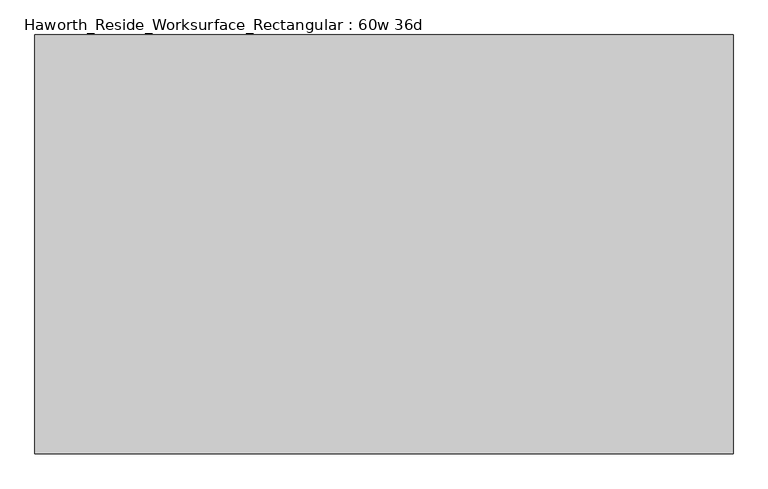
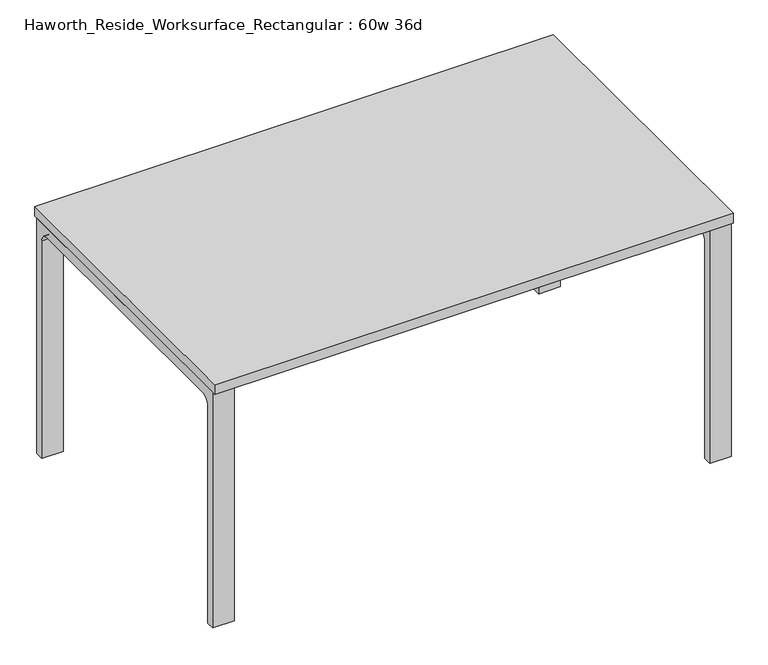
"""IFC4 building model written with IfcOpenShell, lengths in millimetres: furniture geometry, Haworth_Reside_Worksurface_Rectangular : 60w 36d."""

from ifc_helpers import new_model, si_unit, point, frame, frame_2d, origin, place, context, project, spatial, polyline, circle_curve, trimmed, segment, composite_curve, outline, extrude, source, transform, mapped, element, save


def haworth_reside_worksurface_rectangular_60w_36d_a7cd33d7(model_context):
    return source(origin(), model_context, "Body", "SweptSolid", [
        extrude(outline(composite_curve([segment(trimmed(circle_curve(frame_2d((396.875, 676.275)), 25.4), [point((422.275, 676.275))], [point((396.875, 701.675))], True, "CARTESIAN"), True, "CONTINUOUS"), segment(polyline([(396.875, 701.675), (-396.875, 701.675)]), True, "CONTINUOUS"), segment(trimmed(circle_curve(frame_2d((-396.875, 676.275)), 25.4), [point((-396.875, 701.675))], [point((-422.275, 676.275))], True, "CARTESIAN"), True, "CONTINUOUS"), segment(polyline([(-422.275, 676.275), (-422.275, 0.0), (-447.675, 0.0), (-447.675, 731.8375), (447.675, 731.8375), (447.675, 0.0), (422.275, 0.0), (422.275, 676.275)]), True, "CONTINUOUS")], self_intersect=False)), frame((698.5, 0.0, 0.0), z_axis=(1.0, 0.0, 0.0), x_axis=(0.0, 1.0, 0.0)), (0.0, 0.0, 1.0), 63.5),
        extrude(outline(composite_curve([segment(trimmed(circle_curve(frame_2d((396.875, 676.275)), 25.4), [point((422.275, 676.275))], [point((396.875, 701.675))], True, "CARTESIAN"), True, "CONTINUOUS"), segment(polyline([(396.875, 701.675), (-396.875, 701.675)]), True, "CONTINUOUS"), segment(trimmed(circle_curve(frame_2d((-396.875, 676.275)), 25.4), [point((-396.875, 701.675))], [point((-422.275, 676.275))], True, "CARTESIAN"), True, "CONTINUOUS"), segment(polyline([(-422.275, 676.275), (-422.275, 0.0), (-447.675, 0.0), (-447.675, 731.8375), (447.675, 731.8375), (447.675, 0.0), (422.275, 0.0), (422.275, 676.275)]), True, "CONTINUOUS")], self_intersect=False)), frame((-762.0, 0.0, 0.0), z_axis=(1.0, 0.0, 0.0), x_axis=(0.0, 1.0, 0.0)), (0.0, 0.0, 1.0), 63.5),
        extrude(outline(polyline([(762.0, 457.2), (762.0, -457.2), (-762.0, -457.2), (-762.0, 457.2), (762.0, 457.2)])), frame((0.0, 0.0, 731.8375), z_axis=(0.0, 0.0, 1.0), x_axis=(1.0, 0.0, 0.0)), (0.0, 0.0, 1.0), 30.1625),
    ])


if __name__ == "__main__":
    model = new_model("IFC4")
    model_context = context("Model", 3, world=origin())
    ifc_project = project(units=[si_unit("LENGTHUNIT", "METRE", prefix="MILLI")], contexts=[model_context])
    site = spatial("IfcSite", under=ifc_project)
    building = spatial("IfcBuilding", under=site)
    placement = place(None, origin())
    haworth_reside_worksurface_rectangular_60w_36d_shape = haworth_reside_worksurface_rectangular_60w_36d_a7cd33d7(model_context)
    element("IfcFurniture", 1, ObjectType="Haworth_Reside_Worksurface_Rectangular : 60w 36d", at=placement, inside=building, context=model_context, shape_type="MappedRepresentation", body=[
        mapped(haworth_reside_worksurface_rectangular_60w_36d_shape, transform((0.0, 0.0, 0.0), x_axis=(1.0, 0.0, 0.0), y_axis=(0.0, 1.0, 0.0), z_axis=(0.0, 0.0, 1.0))),
    ])
    save(model, "model.ifc")
